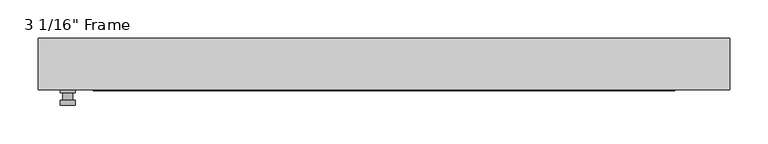
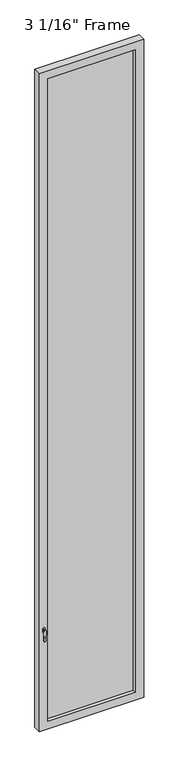
"""IFC4 building model written with IfcOpenShell, lengths in millimetres: plate geometry."""

from ifc_helpers import new_model, si_unit, frame, origin, place, context, project, spatial, polyline, circle_curve, outline, extrude, faceted_brep, source, transform, mapped, element, save
from ifc_brep_helpers import plane_surface, cylinder_surface, advanced_brep


def plate_aa2d930f(model_context):
    return source(origin(), model_context, "Body", "SolidModel", [
        advanced_brep(
        [(-401.6375, -33.3375, 927.1), (-401.6375, -33.3375, 901.7), (-420.6875, -33.3375, 901.7), (-420.6875, -33.3375, 927.1), (-404.8125, -46.0375, 914.4), (-417.5125, -46.0375, 914.4), (-417.5125, -36.5125, 914.4), (-404.8125, -36.5125, 914.4), (-401.6375, -46.0375, 914.4), (-404.8165356, -46.0375, 825.2736467), (-417.5084644, -46.0375, 825.2736467), (-420.6875, -46.0375, 914.4), (-401.6375, -52.3875, 914.4), (-420.6875, -52.3875, 914.4), (-417.5084644, -52.3875, 825.2736467), (-404.8165356, -52.3875, 825.2736467), (-401.6375, -36.5125, 927.1), (-420.6875, -36.5125, 927.1), (-420.6875, -36.5125, 901.7), (-401.6375, -36.5125, 901.7)],
        [
            (0, 1),
            (1, 2, circle_curve(frame((-411.1625, -33.3375, 901.7), z_axis=(0.0, 1.0, 0.0), x_axis=(-1.0, 0.0, 0.0)), 9.525)),
            (2, 3),
            (3, 0, circle_curve(frame((-411.1625, -33.3375, 927.1), z_axis=(0.0, 1.0, 0.0), x_axis=(-1.0, 0.0, 0.0)), 9.525)),
            (4, 5, circle_curve(frame((-411.1625, -46.0375, 914.4), z_axis=(0.0, 1.0, 0.0), x_axis=(-1.0, 0.0, 0.0)), 6.35)),
            (5, 6),
            (6, 7, circle_curve(frame((-411.1625, -36.5125, 914.4), z_axis=(0.0, -1.0, 0.0), x_axis=(-1.0, 0.0, 0.0)), 6.35)),
            (7, 4),
            (5, 4, circle_curve(frame((-411.1625, -46.0375, 914.4), z_axis=(0.0, 1.0, 0.0), x_axis=(-1.0, 0.0, 0.0)), 6.35)),
            (7, 6, circle_curve(frame((-411.1625, -36.5125, 914.4), z_axis=(0.0, -1.0, 0.0), x_axis=(-1.0, 0.0, 0.0)), 6.35)),
            (8, 9),
            (9, 10, circle_curve(frame((-411.1625, -46.0375, 825.5), z_axis=(0.0, 1.0, 0.0), x_axis=(-1.0, 0.0, 0.0)), 6.35)),
            (10, 11),
            (11, 8, circle_curve(frame((-411.1625, -46.0375, 914.4), z_axis=(0.0, 1.0, 0.0), x_axis=(-1.0, 0.0, 0.0)), 9.525)),
            (12, 13, circle_curve(frame((-411.1625, -52.3875, 914.4), z_axis=(0.0, -1.0, 0.0), x_axis=(-1.0, 0.0, 0.0)), 9.525)),
            (13, 14),
            (14, 15, circle_curve(frame((-411.1625, -52.3875, 825.5), z_axis=(0.0, -1.0, 0.0), x_axis=(-1.0, 0.0, 0.0)), 6.35)),
            (15, 12),
            (8, 12),
            (15, 9),
            (14, 10),
            (13, 11),
            (16, 17, circle_curve(frame((-411.1625, -36.5125, 927.1), z_axis=(0.0, -1.0, 0.0), x_axis=(-1.0, 0.0, 0.0)), 9.525)),
            (17, 18),
            (18, 19, circle_curve(frame((-411.1625, -36.5125, 901.7), z_axis=(0.0, -1.0, 0.0), x_axis=(-1.0, 0.0, 0.0)), 9.525)),
            (19, 16),
            (0, 16),
            (19, 1),
            (18, 2),
            (17, 3),
        ],
        [
            plane_surface(frame((-417.5125, -33.3375, 914.4), z_axis=(0.0, 1.0, 0.0), x_axis=(0.0, 0.0, 1.0))),
            cylinder_surface(frame((-411.1625, -46.0375, 914.4), z_axis=(0.0, 1.0, 0.0), x_axis=(-1.0, 0.0, 0.0)), 6.35),
            plane_surface(frame((-401.6375, -46.0375, 914.4), z_axis=(0.0, 1.0000000000000002, 0.0), x_axis=(-0.03564619348186888, 0.0, -0.9993644724975235))),
            plane_surface(frame((-401.6375, -52.3875, 914.4), z_axis=(0.0, -1.0000000000000002, 0.0), x_axis=(0.03564619348186888, 0.0, 0.9993644724975235))),
            plane_surface(frame((-401.6375, -46.0375, 914.4), z_axis=(0.9993644724975235, 0.0, -0.03564619348186888), x_axis=(0.0, -1.0, 0.0))),
            cylinder_surface(frame((-411.1625, -52.3875, 825.5), z_axis=(0.0, 1.0, 0.0), x_axis=(-1.0, 0.0, 0.0)), 6.35),
            plane_surface(frame((-417.5084644, -46.0375, 825.2736467), z_axis=(-0.9993644724975228, 0.0, -0.03564619348188612), x_axis=(0.0, -1.0, 0.0))),
            cylinder_surface(frame((-411.1625, -52.3875, 914.4), z_axis=(0.0, 1.0, 0.0), x_axis=(-1.0, 0.0, 0.0)), 9.525),
            plane_surface(frame((-401.6375, -36.5125, 901.7), z_axis=(0.0, -1.0, 0.0), x_axis=(0.0, 0.0, 1.0))),
            plane_surface(frame((-401.6375, -33.3375, 927.1), z_axis=(1.0, 0.0, 0.0), x_axis=(0.0, -1.0, 0.0))),
            cylinder_surface(frame((-411.1625, -36.5125, 901.7), z_axis=(0.0, 1.0, 0.0), x_axis=(-1.0, 0.0, 0.0)), 9.525),
            plane_surface(frame((-420.6875, -33.3375, 901.7), z_axis=(-1.0, 0.0, 0.0), x_axis=(0.0, -1.0, 0.0))),
            cylinder_surface(frame((-411.1625, -36.5125, 927.1), z_axis=(0.0, 1.0, 0.0), x_axis=(-1.0, 0.0, 0.0)), 9.525),
        ],
        [
            (0, [[1, 2, 3, 4]]),
            (1, [[5, 6, 7, 8]]),
            (1, [[9, -8, 10, -6]]),
            (2, [[11, 12, 13, 14], [-5, -9]]),
            (3, [[15, 16, 17, 18]]),
            (4, [[-11, 19, -18, 20]]),
            (5, [[-12, -20, -17, 21]]),
            (6, [[-13, -21, -16, 22]]),
            (7, [[-14, -22, -15, -19]]),
            (8, [[23, 24, 25, 26], [-7, -10]]),
            (9, [[-1, 27, -26, 28]]),
            (10, [[-2, -28, -25, 29]]),
            (11, [[-3, -29, -24, 30]]),
            (12, [[-4, -30, -23, -27]]),
        ],
    ),
        faceted_brep([(-449.2625, -33.3375, 0.0), (-449.2625, 33.3375, 0.0), (449.2625, 33.3375, 0.0), (449.2625, -33.3375, 0.0), (449.2625, -33.3375, 5997.575), (-449.2625, -33.3375, 5997.575), (-377.825, -33.3375, 5926.1375), (377.825, -33.3375, 5926.1375), (377.825, -33.3375, 71.4375), (-377.825, -33.3375, 71.4375), (-449.2625, 33.3375, 5997.575), (449.2625, 33.3375, 5997.575), (-377.825, 33.3375, 5926.1375), (-377.825, 33.3375, 71.4375), (377.825, 33.3375, 71.4375), (377.825, 33.3375, 5926.1375), (-371.475, 11.90625, 5919.7875), (-371.475, 11.90625, 77.7875), (384.175, 11.90625, 5932.4875), (-384.175, 11.90625, 5932.4875), (-384.175, 11.90625, 65.0875), (384.175, 11.90625, 65.0875), (371.475, 11.90625, 5919.7875), (371.475, 11.90625, 77.7875), (-384.175, -11.90625, 5932.4875), (-384.175, -11.90625, 65.0875), (384.175, -11.90625, 5932.4875), (384.175, -11.90625, 65.0875), (-371.475, -11.90625, 5919.7875), (-371.475, -11.90625, 77.7875), (371.475, -11.90625, 77.7875), (371.475, -11.90625, 5919.7875)], [[[0, 1, 2, 3]], [[0, 3, 4, 5], [6, 7, 8, 9]], [[1, 0, 5, 10]], [[2, 1, 10, 11], [12, 13, 14, 15]], [[12, 16, 17, 13]], [[18, 19, 20, 21], [16, 22, 23, 17]], [[20, 19, 24, 25]], [[24, 26, 27, 25], [28, 29, 30, 31]], [[28, 6, 9, 29]], [[5, 4, 11, 10]], [[12, 15, 22, 16]], [[19, 18, 26, 24]], [[7, 6, 28, 31]], [[4, 3, 2, 11]], [[22, 15, 14, 23]], [[27, 26, 18, 21]], [[7, 31, 30, 8]], [[9, 8, 30, 29]], [[21, 20, 25, 27]], [[17, 23, 14, 13]]]),
        extrude(outline(polyline([(384.175, -11.90625), (-384.175, -11.90625), (-384.175, 11.90625), (384.175, 11.90625), (384.175, -11.90625)])), frame((0.0, 0.0, 65.0875), z_axis=(0.0, 0.0, 1.0), x_axis=(1.0, 0.0, 0.0)), (0.0, 0.0, 1.0), 5867.4),
    ])


if __name__ == "__main__":
    model = new_model("IFC4")
    model_context = context("Model", 3, world=origin())
    ifc_project = project(units=[si_unit("LENGTHUNIT", "METRE", prefix="MILLI")], contexts=[model_context])
    site = spatial("IfcSite", under=ifc_project)
    building = spatial("IfcBuilding", under=site)
    placement = place(None, origin())
    plate_shape = plate_aa2d930f(model_context)
    element("IfcPlate", 1, ObjectType="3 1/16\" Frame", at=placement, inside=building, context=model_context, shape_type="MappedRepresentation", body=[
        mapped(plate_shape, transform((0.0, 0.0, 0.0), x_axis=(1.0, 0.0, 0.0), y_axis=(0.0, 1.0, 0.0), z_axis=(0.0, 0.0, 1.0))),
    ])
    save(model, "model.ifc")
